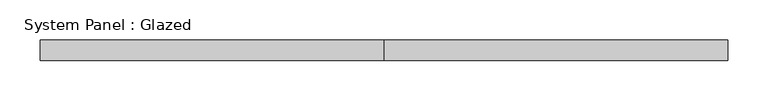
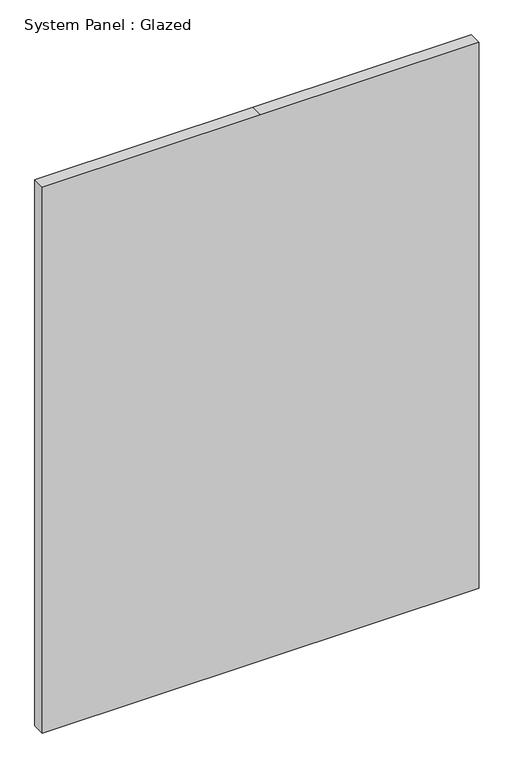
"""IFC4 building model written with IfcOpenShell, lengths in millimetres: plate geometry, System Panel : Glazed."""

import ifcopenshell
import ifcopenshell.guid

model = None  # the IFC model being written
_history = None  # IfcOwnerHistory: only IFC2X3 demands one
_inside = {}  # id of a spatial element -> (the spatial element, [elements in it])
_under = {}  # id of a project, library or spatial element -> (it, [spatial elements below it])
_declared = {}  # id of a project -> (the project, [libraries it declares])
_typed = {}  # id of a type object -> (the type object, [elements of that type])
_made_of = {}  # id of a material, layer set ... -> (it, [elements and type objects made of it])


def new_model(schema):
    """Start an empty IFC model of exactly this schema.

    Asked for "IFC4X3", IfcOpenShell would pick the latest addendum, in which some entities
    have other attributes; the version numbers below select the first issue.
    IFC2X3 requires an IfcOwnerHistory on every rooted entity: one is made here for all.
    """
    global model, _history
    if schema == "IFC4X3":
        model = ifcopenshell.file(schema_version=(4, 3, 0, 0))
    else:
        model = ifcopenshell.file(schema=schema)
    _inside.clear()
    _under.clear()
    _declared.clear()
    _typed.clear()
    _made_of.clear()
    _history = None
    if model.schema == "IFC2X3":
        org = make("IfcOrganization", Name="unknown")
        user = make(
            "IfcPersonAndOrganization",
            ThePerson=make("IfcPerson", FamilyName="unknown"),
            TheOrganization=org,
        )
        app = make(
            "IfcApplication",
            ApplicationDeveloper=org,
            Version="unknown",
            ApplicationFullName="unknown",
            ApplicationIdentifier="unknown",
        )
        _history = make(
            "IfcOwnerHistory",
            OwningUser=user,
            OwningApplication=app,
            ChangeAction="ADDED",
            CreationDate=0,
        )
    return model


def make(cls, **values):
    """One entity of the class cls with the attributes given. An attribute that is None is left unset."""
    return model.create_entity(
        cls, **{name: value for name, value in values.items() if value is not None}
    )


def rooted(cls, **values):
    """An entity with a GlobalId (a new one), such as an element, a storey or a relation."""
    return make(cls, GlobalId=ifcopenshell.guid.new(), OwnerHistory=_history, **values)


def si_unit(unit_type, name, prefix=None):
    """IfcSIUnit, for example si_unit("LENGTHUNIT", "METRE", prefix="MILLI")."""
    return make("IfcSIUnit", UnitType=unit_type, Prefix=prefix, Name=name)


def assignment(units):
    """IfcUnitAssignment: the units of a project."""
    return None if units is None else make("IfcUnitAssignment", Units=units)


def point(xyz):
    """IfcCartesianPoint."""
    return None if xyz is None else make("IfcCartesianPoint", Coordinates=xyz)


def direction(xyz):
    """IfcDirection."""
    return None if xyz is None else make("IfcDirection", DirectionRatios=xyz)


def frame(location, z_axis=None, x_axis=None):
    """IfcAxis2Placement3D, a coordinate frame: its origin and axes. An axis left out is left unset."""
    return make(
        "IfcAxis2Placement3D",
        Location=point(location),
        Axis=direction(z_axis),
        RefDirection=direction(x_axis),
    )


def origin():
    """The frame at (0, 0, 0) with its axes left unset."""
    return frame((0.0, 0.0, 0.0))


def place(relative_to, where):
    """IfcLocalPlacement: puts the frame where relative to a parent placement (None: the world)."""
    return make(
        "IfcLocalPlacement", PlacementRelTo=relative_to, RelativePlacement=where
    )


def context(
    kind, dimensions, precision=None, world=None, true_north=None, identifier=None
):
    """IfcGeometricRepresentationContext, for example the 3D "Model" context."""
    return make(
        "IfcGeometricRepresentationContext",
        ContextIdentifier=identifier,
        ContextType=kind,
        CoordinateSpaceDimension=dimensions,
        Precision=precision,
        WorldCoordinateSystem=world,
        TrueNorth=true_north,
    )


def project(units=None, contexts=None):
    """IfcProject with its units and contexts."""
    return rooted(
        "IfcProject",
        Name="project",
        RepresentationContexts=contexts,
        UnitsInContext=assignment(units),
    )


def spatial(cls, under=None, at=None, **own):
    """A site, building, storey or space (cls), placed at a placement, below another one or the project."""
    s = rooted(cls, ObjectPlacement=at, **own)
    if under is not None:
        _under.setdefault(under.id(), (under, []))[1].append(s)
    return s


def polyline(points):
    """IfcPolyline through the points."""
    return make("IfcPolyline", Points=[point(p) for p in points])


def outline(outer, holes=None, kind="AREA"):
    """IfcArbitraryClosedProfileDef: a profile drawn as a closed curve; with holes, ...WithVoids."""
    if holes is None:
        return make("IfcArbitraryClosedProfileDef", ProfileType=kind, OuterCurve=outer)
    return make(
        "IfcArbitraryProfileDefWithVoids",
        ProfileType=kind,
        OuterCurve=outer,
        InnerCurves=holes,
    )


def extrude(swept, where, along, depth):
    """IfcExtrudedAreaSolid: the profile swept, set in the frame where, extruded along a direction by depth."""
    return make(
        "IfcExtrudedAreaSolid",
        SweptArea=swept,
        Position=where,
        ExtrudedDirection=direction(along),
        Depth=depth,
    )


def shape(context_of_items, identifier, shape_type, items):
    """IfcShapeRepresentation: the items that make up one representation, for example the "Body"."""
    return make(
        "IfcShapeRepresentation",
        ContextOfItems=context_of_items,
        RepresentationIdentifier=identifier,
        RepresentationType=shape_type,
        Items=items,
    )


def source(mapping_origin, context_of_items, identifier, shape_type, items):
    """IfcRepresentationMap: a shape defined once, which mapped items show again and again."""
    return make(
        "IfcRepresentationMap",
        MappingOrigin=mapping_origin,
        MappedRepresentation=shape(context_of_items, identifier, shape_type, items),
    )


def transform(
    local_origin,
    x_axis=None,
    y_axis=None,
    z_axis=None,
    scale=None,
    scale2=None,
    scale3=None,
    uniform=True,
):
    """IfcCartesianTransformationOperator3D, or its non-uniform kind. x_axis, y_axis, z_axis: its Axis1, 2, 3."""
    if uniform:
        return make(
            "IfcCartesianTransformationOperator3D",
            Axis1=direction(x_axis),
            Axis2=direction(y_axis),
            LocalOrigin=point(local_origin),
            Scale=scale,
            Axis3=direction(z_axis),
        )
    return make(
        "IfcCartesianTransformationOperator3DnonUniform",
        Axis1=direction(x_axis),
        Axis2=direction(y_axis),
        LocalOrigin=point(local_origin),
        Scale=scale,
        Axis3=direction(z_axis),
        Scale2=scale2,
        Scale3=scale3,
    )


def mapped(mapping_source, mapping_target):
    """IfcMappedItem: shows the shape of a source again, moved by a transform."""
    return make(
        "IfcMappedItem", MappingSource=mapping_source, MappingTarget=mapping_target
    )


def made_of(thing, what):
    """Note that an element or type object is made of a material, layer set ...; save() writes the relation."""
    if what is not None:
        _made_of.setdefault(what.id(), (what, []))[1].append(thing)
    return thing


def element(
    cls,
    number,
    at=None,
    inside=None,
    cuts=None,
    type_object=None,
    material=None,
    context=None,
    identifier="Body",
    shape_type=None,
    held_by="IfcProductDefinitionShape",
    body=None,
    shapes=None,
    **own,
):
    """One element of the class cls, such as IfcWall. Its Tag is "e" and its number.

    at: its placement. inside: the storey or other place that contains it. cuts: it is an
    opening in that element (IfcRelVoidsElement). A single representation is given by context,
    identifier, shape_type and body (its items); several are given by shapes. held_by: the class
    of the entity that holds the representations. save() writes the other relations.
    """
    e = rooted(cls, Tag="e%d" % number, ObjectPlacement=at, **own)
    if body is not None:
        shapes = [shape(context, identifier, shape_type, body)]
    if shapes is not None:
        e.Representation = make(held_by, Representations=shapes)
    if inside is not None:
        _inside.setdefault(inside.id(), (inside, []))[1].append(e)
    if cuts is not None:
        rooted(
            "IfcRelVoidsElement", RelatingBuildingElement=cuts, RelatedOpeningElement=e
        )
    if type_object is not None:
        _typed.setdefault(type_object.id(), (type_object, []))[1].append(e)
    return made_of(e, material)


def aggregate(whole, parts):
    """IfcRelAggregates: a whole, such as a stair, and the parts it consists of."""
    return rooted("IfcRelAggregates", RelatingObject=whole, RelatedObjects=parts)


def save(model, path):
    """Write the relations noted so far, then the file.

    IfcRelAggregates (storeys below a building ...), IfcRelContainedInSpatialStructure (elements
    in a storey), IfcRelDefinesByType, IfcRelAssociatesMaterial and IfcRelDeclares: one each for
    every whole, place, type object, material and project.
    """
    for whole, parts in _under.values():
        aggregate(whole, parts)
    for where, things in _inside.values():
        rooted(
            "IfcRelContainedInSpatialStructure",
            RelatedElements=things,
            RelatingStructure=where,
        )
    for kind, things in _typed.values():
        rooted("IfcRelDefinesByType", RelatedObjects=things, RelatingType=kind)
    for what, things in _made_of.values():
        rooted("IfcRelAssociatesMaterial", RelatedObjects=things, RelatingMaterial=what)
    for by, libraries in _declared.values():
        rooted("IfcRelDeclares", RelatingContext=by, RelatedDefinitions=libraries)
    model.write(path)


def system_panel_glazed_65d94c7b(model_context):
    return source(origin(), model_context, "Body", "SweptSolid", [
        extrude(outline(polyline([(0.0, -425.45), (0.0, 0.0), (0.0, 425.45), (1123.95, 425.45), (1123.95, 0.0), (1123.95, -425.45), (0.0, -425.45)])), frame((0.0, 19.05, 0.0), z_axis=(0.0, 1.0, 0.0), x_axis=(0.0, 0.0, 1.0)), (0.0, 0.0, 1.0), 25.4),
    ])


if __name__ == "__main__":
    model = new_model("IFC4")
    model_context = context("Model", 3, world=origin())
    ifc_project = project(units=[si_unit("LENGTHUNIT", "METRE", prefix="MILLI")], contexts=[model_context])
    site = spatial("IfcSite", under=ifc_project)
    building = spatial("IfcBuilding", under=site)
    placement = place(None, origin())
    system_panel_glazed_shape = system_panel_glazed_65d94c7b(model_context)
    element("IfcPlate", 1, ObjectType="System Panel : Glazed", at=placement, inside=building, context=model_context, shape_type="MappedRepresentation", body=[
        mapped(system_panel_glazed_shape, transform((0.0, 0.0, 0.0), x_axis=(1.0, 0.0, 0.0), y_axis=(0.0, 1.0, 0.0), z_axis=(0.0, 0.0, 1.0))),
    ])
    save(model, "model.ifc")
